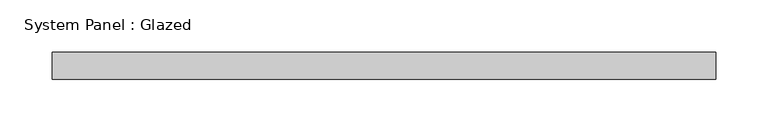
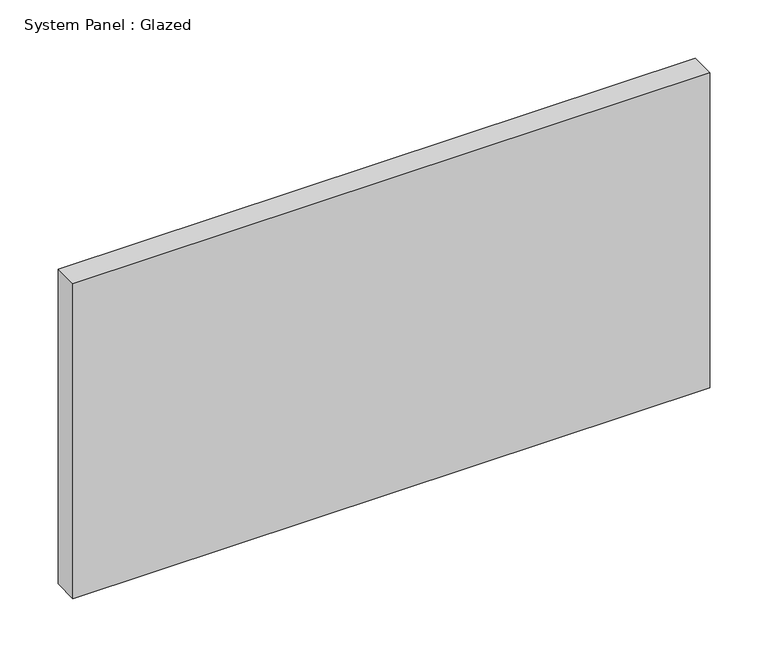
"""IFC4 building model written with IfcOpenShell, lengths in millimetres: plate geometry, System Panel : Glazed."""

from ifc_helpers import new_model, si_unit, origin, origin_with_axes, place, context, project, spatial, polyline, outline, extrude, source, transform, mapped, element, save


def system_panel_glazed_bd212b72(model_context):
    return source(origin(), model_context, "Body", "SweptSolid", [
        extrude(outline(polyline([(315.9124998, 19.05), (-315.9124998, 19.05), (-315.9124998, 44.45), (315.9124998, 44.45), (315.9124998, 19.05)])), origin_with_axes(), (0.0, 0.0, 1.0), 330.2),
    ])


if __name__ == "__main__":
    model = new_model("IFC4")
    model_context = context("Model", 3, world=origin())
    ifc_project = project(units=[si_unit("LENGTHUNIT", "METRE", prefix="MILLI")], contexts=[model_context])
    site = spatial("IfcSite", under=ifc_project)
    building = spatial("IfcBuilding", under=site)
    placement = place(None, origin())
    system_panel_glazed_shape = system_panel_glazed_bd212b72(model_context)
    element("IfcPlate", 1, ObjectType="System Panel : Glazed", at=placement, inside=building, context=model_context, shape_type="MappedRepresentation", body=[
        mapped(system_panel_glazed_shape, transform((0.0, 0.0, 0.0), x_axis=(1.0, 0.0, 0.0), y_axis=(0.0, 1.0, 0.0), z_axis=(0.0, 0.0, 1.0))),
    ])
    save(model, "model.ifc")
